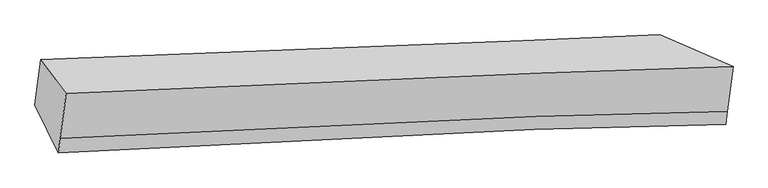
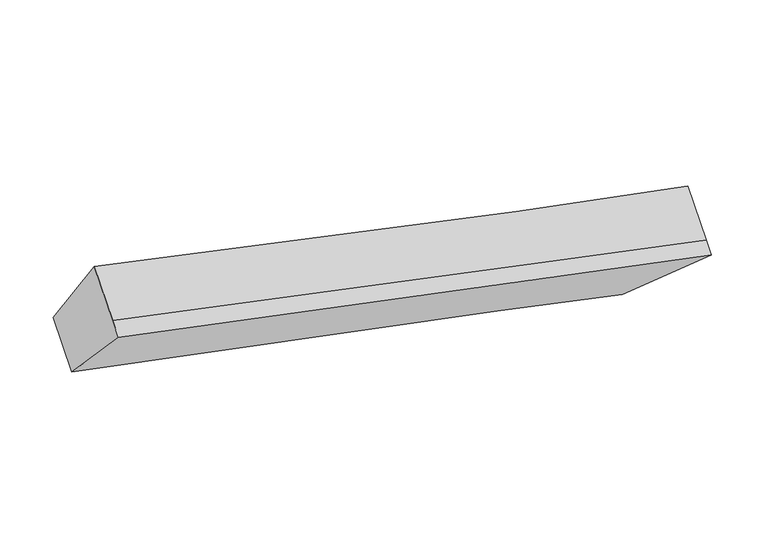
"""IFC4 building model written with IfcOpenShell, lengths in millimetres: proxy geometry."""

from ifc_helpers import new_model, si_unit, frame, origin, place, context, project, spatial, source, transform, mapped, element, save
from ifc_brep_helpers import plane_surface, spline_curve, spline_surface, advanced_brep


def generic_models_2a52b87e(model_context):
    return source(origin(), model_context, "Body", "AdvancedBrep", [
        advanced_brep(
        [(-2893.7287987, -1812.133436, 3725.9801364), (-2674.5736189, -2108.9209371, 4338.8235909), (3113.2738984, -1873.3731386, 2983.0853867), (2474.9707683, -1596.9681794, 2493.3878143), (-2725.0532307, -2498.5034261, 4051.208802), (3062.7437037, -2263.346007, 2695.1823946), (-2741.1238395, -2622.5302866, 3959.644216), (3048.2283151, -2375.3702682, 2612.4788976), (-2945.0097052, -2207.9000135, 3433.7998565), (2423.8487444, -1991.5085607, 2202.1127912)],
        [
            (0, 1),
            (1, 2, spline_curve(3, [(-2674.5736189, -2108.9209371, 4338.8235909), (-1444.985560041, -2043.907928456, 4012.615592954), (-70.152341217, -1984.051238033, 3680.615370258), (1986.291459628, -1910.049631824, 3223.631576212), (2540.74074668, -1891.390389428, 3103.719064262), (3113.2738984, -1873.3731386, 2983.0853867)], [4, 2, 4], [0.0, 13.898652091304257, 18.802844204247258])),
            (2, 3),
            (3, 0, spline_curve(3, [(2474.9707683, -1596.9681794, 2493.3878143), (2106.886747945, -1613.397803798, 2573.980793268), (1713.066399142, -1630.421312691, 2661.503637777), (104.471415945, -1697.967015617, 3023.6386334), (-1291.274757881, -1752.665258935, 3346.979896315), (-2893.7287987, -1812.133436, 3725.9801364)], [4, 2, 4], [0.0, 4.904192112943001, 18.802844204247258])),
            (1, 4),
            (4, 5, spline_curve(3, [(-2725.0532307, -2498.5034261, 4051.208802), (-1493.442261339, -2417.878358887, 3736.526627003), (-118.09063565, -2354.020801926, 3407.480100854), (1937.019119902, -2290.314853583, 2942.895391799), (2490.933139161, -2275.786604078, 2819.933115697), (3062.7437037, -2263.346007, 2695.1823946)], [4, 2, 4], [0.0, 14.428996317428634, 19.52032240234373])),
            (5, 2),
            (4, 6),
            (6, 7, spline_curve(3, [(-2741.1238395, -2622.5302866, 3959.644216), (-1508.611268459, -2534.94699967, 3650.099045555), (-132.741235826, -2467.088576351, 3324.006215344), (1922.551441219, -2401.970907048, 2860.463729307), (2476.465460457, -2387.442657792, 2737.5014533), (3048.2283151, -2375.3702682, 2612.4788976)], [4, 2, 4], [0.0, 14.42910982774019, 19.520475965199303])),
            (7, 5),
            (6, 8),
            (8, 9, spline_curve(3, [(-2945.0097052, -2207.9000135, 3433.7998565), (-1339.945925634, -2128.290861107, 3069.668976304), (56.509862308, -2068.116087139, 2750.370839901), (1663.494257962, -2013.000288491, 2379.059291835), (2056.657953583, -2001.044578191, 2287.795073219), (2423.8487444, -1991.5085607, 2202.1127912)], [4, 2, 4], [0.0, 13.898754302620613, 18.802982481214315])),
            (9, 7),
            (8, 0),
            (3, 9),
        ],
        [
            spline_surface(3, 3, [[(-2893.7287987, -1812.133436, 3725.9801364), (-1291.27475788, -1752.665258746, 3346.979896358), (104.471415791, -1697.967015413, 3023.638633415), (1713.066399196, -1630.421312763, 2661.503637771), (2106.886747924, -1613.397803852, 2573.980793328), (2474.9707683, -1596.9681794, 2493.3878143)], [(-2820.677072105, -1911.062603045, 3930.261287904), (-1342.511691997, -1849.746148671, 3568.858461869), (46.263496715, -1793.328422938, 3242.630878978), (1804.141419343, -1723.630752428, 2848.879617258), (2251.504747515, -1706.061999025, 2750.56021697), (2687.738478348, -1689.103165771, 2656.620338426)], [(-2747.625345495, -2009.991770055, 4134.542439396), (-1393.7486261, -1946.827038559, 3790.73702737), (-11.944422311, -1888.689830524, 3461.623124568), (1895.216439541, -1816.840192154, 3036.255596771), (2396.122747061, -1798.726194285, 2927.139640636), (2900.506188352, -1781.238152229, 2819.852862574)], [(-2674.5736189, -2108.9209371, 4338.8235909), (-1444.985560218, -2043.907928484, 4012.615592881), (-70.152341388, -1984.051238049, 3680.61537013), (1986.291459688, -1910.049631819, 3223.631576257), (2540.740746652, -1891.390389458, 3103.719064278), (3113.2738984, -1873.3731386, 2983.0853867)]], [4, 4], [4, 2, 4], [0.0, 2.293789622003502], [0.0, 13.898652091304257, 18.802844204247258]),
            spline_surface(3, 3, [[(-2674.5736189, -2108.9209371, 4338.8235909), (-1444.985560218, -2043.907928484, 4012.615592881), (-70.152341388, -1984.051238049, 3680.61537013), (1986.291459688, -1910.049631819, 3223.631576257), (2540.740746652, -1891.390389458, 3103.719064278), (3113.2738984, -1873.3731386, 2983.0853867)], [(-2691.400156168, -2238.781766755, 4242.951994601), (-1461.137793862, -2168.564738649, 3920.585937659), (-86.131772788, -2107.374426058, 3589.570280349), (1969.86734642, -2036.80470575, 3130.052848098), (2524.138210818, -2019.522461049, 3009.123748099), (3096.43050017, -2003.364094764, 2887.117722663)], [(-2708.226693432, -2368.642596445, 4147.080398299), (-1477.290027504, -2293.221548848, 3828.556282434), (-102.11120419, -2230.697614005, 3498.525190599), (1953.443233149, -2163.559779621, 3036.474119971), (2507.535674973, -2147.654532547, 2914.528431931), (3079.58710193, -2133.355050836, 2791.150058637)], [(-2725.0532307, -2498.5034261, 4051.208802), (-1493.442261149, -2417.878359013, 3736.526627212), (-118.09063559, -2354.020802014, 3407.480100818), (1937.019119881, -2290.314853553, 2942.895391812), (2490.933139139, -2275.786604138, 2819.933115752), (3062.7437037, -2263.346007, 2695.1823946)]], [4, 4], [4, 2, 4], [0.0, 1.5328022350409505], [0.0, 14.428996317428634, 19.52032240234373]),
            spline_surface(3, 3, [[(-2725.0532307, -2498.5034261, 4051.208802), (-1493.442261149, -2417.878359013, 3736.526627212), (-118.09063559, -2354.020802014, 3407.480100818), (1937.019119881, -2290.314853553, 2942.895391812), (2490.933139139, -2275.786604138, 2819.933115752), (3062.7437037, -2263.346007, 2695.1823946)], [(-2730.410100297, -2539.845712938, 4020.687273343), (-1498.498596853, -2456.901239301, 3707.717433282), (-122.974169048, -2391.710060146, 3379.655472328), (1932.19656035, -2327.533538048, 2915.418170973), (2486.110579609, -2313.005288633, 2792.455894913), (3057.905240838, -2300.68742737, 2667.614562264)], [(-2735.766969903, -2581.187999762, 3990.165744657), (-1503.554932565, -2495.924119576, 3678.908239324), (-127.857702522, -2429.399318269, 3351.830843846), (1927.374000804, -2364.752222535, 2887.940950142), (2481.288020063, -2350.22397322, 2764.978674081), (3053.066777962, -2338.02884783, 2640.046729936)], [(-2741.1238395, -2622.5302866, 3959.644216), (-1508.611268269, -2534.946999864, 3650.099045394), (-132.74123598, -2467.088576402, 3324.006215357), (1922.551441274, -2401.97090703, 2860.463729303), (2476.465460532, -2387.442657715, 2737.501453242), (3048.2283151, -2375.3702682, 2612.4788976)]], [4, 4], [4, 2, 4], [0.0, 0.46727952189934924], [0.0, 14.42910982774019, 19.520475965199303]),
            spline_surface(3, 3, [[(-2741.1238395, -2622.5302866, 3959.644216), (-1508.611268269, -2534.946999864, 3650.099045394), (-132.74123598, -2467.088576402, 3324.006215357), (1922.551441274, -2401.97090703, 2860.463729303), (2476.465460532, -2387.442657715, 2737.501453242), (3048.2283151, -2375.3702682, 2612.4788976)], [(-2809.085794737, -2484.320195566, 3784.362762842), (-1452.389487317, -2399.394953616, 3456.622355783), (-69.657536598, -2334.097746639, 3132.794423587), (1836.199046838, -2272.314034171, 2699.995583462), (2336.529624888, -2258.64329789, 2587.599326572), (2840.101791531, -2247.416365723, 2475.690195479)], [(-2877.047749963, -2346.110104534, 3609.081309658), (-1396.167706356, -2263.842907371, 3263.145666146), (-6.573837181, -2201.106916912, 2941.58263182), (1749.846652436, -2142.657161347, 2539.527437623), (2196.593789252, -2129.843937994, 2437.697199866), (2631.975267969, -2119.462463177, 2338.901493321)], [(-2945.0097052, -2207.9000135, 3433.7998565), (-1339.945925405, -2128.290861123, 3069.668976535), (56.509862201, -2068.116087149, 2750.37084005), (1663.494258, -2013.000288488, 2379.059291782), (2056.657953608, -2001.044578168, 2287.795073196), (2423.8487444, -1991.5085607, 2202.1127912)]], [4, 4], [4, 2, 4], [0.0, 2.2466946289056713], [0.0, 13.898754302620613, 18.802982481214315]),
            spline_surface(3, 3, [[(-2945.0097052, -2207.9000135, 3433.7998565), (-1339.945925405, -2128.290861123, 3069.668976535), (56.509862201, -2068.116087149, 2750.37084005), (1663.494258, -2013.000288488, 2379.059291782), (2056.657953608, -2001.044578168, 2287.795073196), (2423.8487444, -1991.5085607, 2202.1127912)], [(-2927.916069694, -2075.977820996, 3531.193283111), (-1323.722202891, -2003.082326993, 3162.105949787), (72.497046754, -1944.733063246, 2841.460104528), (1680.018305088, -1885.473963255, 2473.207407135), (2073.400885026, -1871.828986735, 2383.190313241), (2440.889419013, -1859.995100272, 2299.204465568)], [(-2910.822434206, -1944.055628504, 3628.586709789), (-1307.498480394, -1877.873792876, 3254.542923106), (88.484231239, -1821.350039316, 2932.549368937), (1696.542352108, -1757.947637996, 2567.355522419), (2090.143816506, -1742.613395286, 2478.585553282), (2457.930093687, -1728.481639828, 2396.296139932)], [(-2893.7287987, -1812.133436, 3725.9801364), (-1291.27475788, -1752.665258746, 3346.979896358), (104.471415791, -1697.967015413, 3023.638633415), (1713.066399196, -1630.421312763, 2661.503637771), (2106.886747924, -1613.397803852, 2573.980793328), (2474.9707683, -1596.9681794, 2493.3878143)]], [4, 4], [4, 2, 4], [0.0, 1.5376597911373093], [0.0, 13.3687330152884, 18.085941172087843]),
            plane_surface(frame((2765.0804315, -1959.3050367, 2572.7662224), z_axis=(0.6608645018803341, 0.3884502590254273, -0.6421561386590775), x_axis=(-0.7433090127472607, 0.4569782231307175, -0.4885310790041764))),
            plane_surface(frame((-2813.6089905, -2187.8711683, 3864.5619499), z_axis=(-0.9510071365205737, -0.09417590685242469, 0.2944763570398519), x_axis=(-0.10368134703583098, -0.800173293635477, -0.5907392643369733))),
        ],
        [
            (0, [[1, 2, 3, 4]]),
            (1, [[5, 6, 7, -2]]),
            (2, [[8, 9, 10, -6]]),
            (3, [[11, 12, 13, -9]]),
            (4, [[14, -4, 15, -12]]),
            (5, [[-13, -15, -3, -7, -10]]),
            (6, [[-14, -11, -8, -5, -1]]),
        ],
    ),
    ])


if __name__ == "__main__":
    model = new_model("IFC4")
    model_context = context("Model", 3, world=origin())
    ifc_project = project(units=[si_unit("LENGTHUNIT", "METRE", prefix="MILLI")], contexts=[model_context])
    site = spatial("IfcSite", under=ifc_project)
    building = spatial("IfcBuilding", under=site)
    placement = place(None, origin())
    generic_models_shape = generic_models_2a52b87e(model_context)
    element("IfcBuildingElementProxy", 1, Name="Generic Models", at=placement, inside=building, context=model_context, shape_type="MappedRepresentation", body=[
        mapped(generic_models_shape, transform((0.0, 0.0, 0.0), x_axis=(1.0, 0.0, 0.0), y_axis=(0.0, 1.0, 0.0), z_axis=(0.0, 0.0, 1.0))),
    ])
    save(model, "model.ifc")
